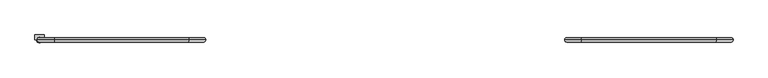
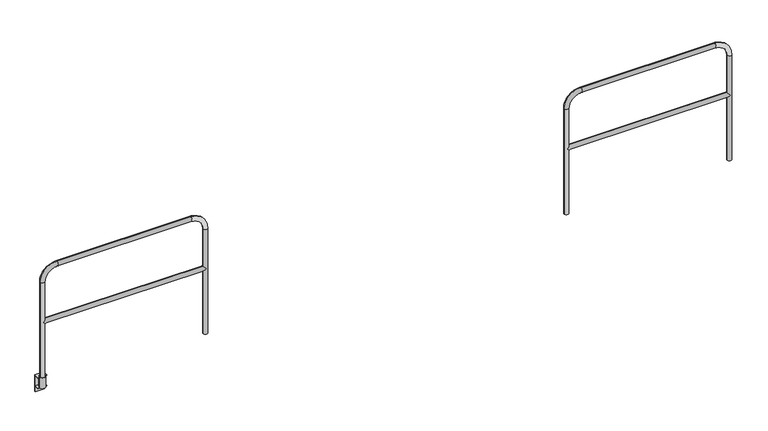
"""IFC4 building model written with IfcOpenShell, lengths in millimetres: railing geometry."""

from ifc_helpers import new_model, si_unit, point, frame, frame_2d, origin, place, context, project, spatial, polyline, circle_curve, ellipse_curve, trimmed, segment, composite_curve, outline, extrude, source, transform, mapped, element, save
from ifc_brep_helpers import plane_surface, cylinder_surface, revolved_surface, advanced_brep


def railing_adefabb8(model_context):
    return source(origin(), model_context, "Body", "SolidModel", [
        advanced_brep(
        [(46486.7496377, 15441.0551937, 554.0375), (46466.1121377, 15420.4176937, 533.4), (46486.7496377, 15441.0551937, 512.7625), (47928.1996377, 15441.0551937, 512.7625), (47948.8371377, 15420.4176937, 533.4), (47928.1996377, 15441.0551937, 554.0375), (47948.8371377, 15461.6926937, 533.4), (46466.1121377, 15461.6926937, 533.4), (46445.4746377, 15441.0551937, -95.25), (46486.7496377, 15441.0551937, -95.25), (46486.7496377, 15441.0551937, 914.4), (46445.4746377, 15441.0551937, 914.4), (46597.8746377, 15441.0551937, 1025.525), (46597.8746377, 15441.0551937, 1066.8), (47817.0746377, 15441.0551937, 1025.525), (47817.0746377, 15441.0551937, 1066.8), (47928.1996377, 15441.0551937, 914.4), (47969.4746377, 15441.0551937, 914.4), (47969.4746377, 15441.0551937, -95.25), (47928.1996377, 15441.0551937, -95.25)],
        [
            (0, 1, ellipse_curve(frame((46466.1121377, 15441.0551937, 533.4), z_axis=(0.7071067811865475, 0.0, -0.7071067811865475), x_axis=(-0.7071067811865476, 0.0, -0.7071067811865474)), 29.1858324, 20.6375)),
            (1, 2, ellipse_curve(frame((46466.1121377, 15441.0551937, 533.4), z_axis=(0.7071067811865475, 0.0, 0.7071067811865475), x_axis=(-0.7071067811865476, 0.0, 0.7071067811865474)), 29.1858324, 20.6375)),
            (2, 3),
            (3, 4, ellipse_curve(frame((47948.8371377, 15441.0551937, 533.4), z_axis=(-0.7071067811865475, 0.0, 0.7071067811865475), x_axis=(-0.7071067811865476, 0.0, -0.7071067811865474)), 29.1858324, 20.6375)),
            (4, 5, ellipse_curve(frame((47948.8371377, 15441.0551937, 533.4), z_axis=(-0.7071067811865475, 0.0, -0.7071067811865475), x_axis=(-0.7071067811865476, 0.0, 0.7071067811865474)), 29.1858324, 20.6375)),
            (5, 0),
            (5, 6, ellipse_curve(frame((47948.8371377, 15441.0551937, 533.4), z_axis=(-0.7071067811865475, 0.0, -0.7071067811865475), x_axis=(-0.7071067811865476, 0.0, 0.7071067811865474)), 29.1858324, 20.6375)),
            (6, 3, ellipse_curve(frame((47948.8371377, 15441.0551937, 533.4), z_axis=(-0.7071067811865475, 0.0, 0.7071067811865475), x_axis=(-0.7071067811865476, 0.0, -0.7071067811865474)), 29.1858324, 20.6375)),
            (2, 7, ellipse_curve(frame((46466.1121377, 15441.0551937, 533.4), z_axis=(0.7071067811865475, 0.0, 0.7071067811865475), x_axis=(-0.7071067811865476, 0.0, 0.7071067811865474)), 29.1858324, 20.6375)),
            (7, 0, ellipse_curve(frame((46466.1121377, 15441.0551937, 533.4), z_axis=(0.7071067811865475, 0.0, -0.7071067811865475), x_axis=(-0.7071067811865476, 0.0, -0.7071067811865474)), 29.1858324, 20.6375)),
            (8, 9, circle_curve(frame((46466.1121377, 15441.0551937, -95.25), z_axis=(0.0, 0.0, -1.0), x_axis=(1.0, 0.0, 0.0)), 20.6375)),
            (9, 8, circle_curve(frame((46466.1121377, 15441.0551937, -95.25), z_axis=(0.0, 0.0, -1.0), x_axis=(1.0, 0.0, 0.0)), 20.6375)),
            (9, 2),
            (0, 10),
            (10, 11, circle_curve(frame((46466.1121377, 15441.0551937, 914.4), z_axis=(0.0, 0.0, -1.0), x_axis=(1.0, 0.0, 0.0)), 20.6375)),
            (11, 8),
            (11, 10, circle_curve(frame((46466.1121377, 15441.0551937, 914.4), z_axis=(0.0, 0.0, -1.0), x_axis=(1.0, 0.0, 0.0)), 20.6375)),
            (10, 12, circle_curve(frame((46597.8746377, 15441.0551937, 914.4), z_axis=(0.0, 1.0, 0.0), x_axis=(-1.0, 0.0, 0.0)), 111.125)),
            (12, 13, circle_curve(frame((46597.8746377, 15441.0551937, 1046.1625), z_axis=(-1.0, 0.0, 0.0), x_axis=(0.0, 0.0, -1.0)), 20.6375)),
            (13, 11, circle_curve(frame((46597.8746377, 15441.0551937, 914.4), z_axis=(0.0, -1.0, 0.0), x_axis=(-1.0, 0.0, 0.0)), 152.4)),
            (13, 12, circle_curve(frame((46597.8746377, 15441.0551937, 1046.1625), z_axis=(-1.0, 0.0, 0.0), x_axis=(0.0, 0.0, -1.0)), 20.6375)),
            (12, 14),
            (14, 15, circle_curve(frame((47817.0746377, 15441.0551937, 1046.1625), z_axis=(-1.0, 0.0, 0.0), x_axis=(0.0, 0.0, -1.0)), 20.6375)),
            (15, 13),
            (15, 14, circle_curve(frame((47817.0746377, 15441.0551937, 1046.1625), z_axis=(-1.0, 0.0, 0.0), x_axis=(0.0, 0.0, -1.0)), 20.6375)),
            (14, 16, circle_curve(frame((47817.0746377, 15441.0551937, 914.4), z_axis=(0.0, 1.0, 0.0), x_axis=(0.0, 0.0, 1.0)), 111.125)),
            (16, 17, circle_curve(frame((47948.8371377, 15441.0551937, 914.4), z_axis=(0.0, 0.0, 1.0), x_axis=(-1.0, 0.0, 0.0)), 20.6375)),
            (17, 15, circle_curve(frame((47817.0746377, 15441.0551937, 914.4), z_axis=(0.0, -1.0, 0.0), x_axis=(0.0, 0.0, 1.0)), 152.4)),
            (17, 16, circle_curve(frame((47948.8371377, 15441.0551937, 914.4), z_axis=(0.0, 0.0, 1.0), x_axis=(-1.0, 0.0, 0.0)), 20.6375)),
            (18, 19, circle_curve(frame((47948.8371377, 15441.0551937, -95.25), z_axis=(0.0, 0.0, -1.0), x_axis=(-1.0, 0.0, 0.0)), 20.6375)),
            (19, 18, circle_curve(frame((47948.8371377, 15441.0551937, -95.25), z_axis=(0.0, 0.0, -1.0), x_axis=(-1.0, 0.0, 0.0)), 20.6375)),
            (16, 5),
            (3, 19),
            (18, 17),
        ],
        [
            cylinder_surface(frame((46466.1121377, 15441.0551937, 533.4), z_axis=(-1.0, 0.0, 0.0), x_axis=(0.0, 0.0, -1.0)), 20.6375),
            plane_surface(frame((46445.4746377, 15441.0551937, -95.25), z_axis=(0.0, 0.0, -1.0), x_axis=(0.0, -1.0, 0.0))),
            cylinder_surface(frame((46466.1121377, 15441.0551937, -95.25), z_axis=(0.0, 0.0, -1.0), x_axis=(1.0, 0.0, 0.0)), 20.6375),
            revolved_surface(trimmed(ellipse_curve(frame((46466.1121377, 15441.0551937, 914.4), z_axis=(0.0, 0.0, 1.0), x_axis=(1.0, 0.0, 0.0)), 20.6375, 20.6375), [point((46445.4746377, 15441.0551937, 914.4))], [point((46486.7496377, 15441.0551937, 914.4))], True, "CARTESIAN"), (46597.8746377, 15441.0551937, 914.4), (0.0, -1.0, 0.0)),
            revolved_surface(trimmed(ellipse_curve(frame((46466.1121377, 15441.0551937, 914.4), z_axis=(0.0, 0.0, 1.0), x_axis=(1.0, 0.0, 0.0)), 20.6375, 20.6375), [point((46486.7496377, 15441.0551937, 914.4))], [point((46445.4746377, 15441.0551937, 914.4))], True, "CARTESIAN"), (46597.8746377, 15441.0551937, 914.4), (0.0, -1.0, 0.0)),
            cylinder_surface(frame((46597.8746377, 15441.0551937, 1046.1625), z_axis=(-1.0, 0.0, 0.0), x_axis=(0.0, 0.0, -1.0)), 20.6375),
            revolved_surface(trimmed(ellipse_curve(frame((47817.0746377, 15441.0551937, 1046.1625), z_axis=(1.0, 0.0, 0.0), x_axis=(0.0, 0.0, -1.0)), 20.6375, 20.6375), [point((47817.0746377, 15441.0551937, 1066.8))], [point((47817.0746377, 15441.0551937, 1025.525))], True, "CARTESIAN"), (47817.0746377, 15441.0551937, 914.4), (0.0, -1.0, 0.0)),
            revolved_surface(trimmed(ellipse_curve(frame((47817.0746377, 15441.0551937, 1046.1625), z_axis=(1.0, 0.0, 0.0), x_axis=(0.0, 0.0, -1.0)), 20.6375, 20.6375), [point((47817.0746377, 15441.0551937, 1025.525))], [point((47817.0746377, 15441.0551937, 1066.8))], True, "CARTESIAN"), (47817.0746377, 15441.0551937, 914.4), (0.0, -1.0, 0.0)),
            plane_surface(frame((47969.4746377, 15441.0551937, -95.25), z_axis=(0.0, 0.0, -1.0), x_axis=(0.0, -1.0, 0.0))),
            cylinder_surface(frame((47948.8371377, 15441.0551937, 914.4), z_axis=(0.0, 0.0, 1.0), x_axis=(-1.0, 0.0, 0.0)), 20.6375),
        ],
        [
            (0, [[1, 2, 3, 4, 5, 6]]),
            (0, [[7, 8, -3, 9, 10, -6]]),
            (1, [[11, 12]]),
            (2, [[13, -2, -1, 14, 15, 16, -12]]),
            (2, [[-16, 17, -14, -10, -9, -13, -11]]),
            (3, [[18, 19, 20, -15]]),
            (4, [[-20, 21, -18, -17]]),
            (5, [[22, 23, 24, -19]]),
            (5, [[-24, 25, -22, -21]]),
            (6, [[26, 27, 28, -23]]),
            (7, [[-28, 29, -26, -25]]),
            (8, [[30, 31]]),
            (9, [[32, -5, -4, 33, -30, 34, -27]]),
            (9, [[-34, -31, -33, -8, -7, -32, -29]]),
        ],
    ),
        advanced_brep(
        [(41653.3536744, 15479.1551937, 0.0), (41653.3536744, 15441.0551937, 0.0), (41653.3536744, 15441.0551937, 6.35), (41653.3536744, 15485.5051937, 6.35), (41653.3536744, 15485.5051937, -152.4), (41653.3536744, 15479.1551937, -152.4), (41653.3536744, 15479.1551937, -101.6), (41653.3536744, 15441.0551937, -101.6), (41653.3536744, 15441.0551937, -95.25), (41653.3536744, 15479.1551937, -95.25), (41736.090601, 15479.1551937, 0.0), (41736.090601, 15479.1551937, -95.25), (41736.090601, 15441.0551937, -95.25), (41736.090601, 15441.0551937, -101.6), (41736.090601, 15479.1551937, -101.6), (41736.090601, 15479.1551937, -152.4), (41736.090601, 15485.5051937, -152.4), (41736.090601, 15485.5051937, 6.35), (41736.090601, 15441.0551937, 6.35), (41736.090601, 15441.0551937, 0.0), (41667.7346377, 15441.0551937, 0.0), (41667.7346377, 15441.0551937, 6.35), (41721.7096377, 15441.0551937, 6.35), (41721.7096377, 15441.0551937, 0.0), (41667.7346377, 15441.0551937, -95.25), (41721.7096377, 15441.0551937, -95.25)],
        [
            (0, 1),
            (1, 2),
            (2, 3),
            (3, 4),
            (4, 5),
            (5, 6),
            (6, 7),
            (7, 8),
            (8, 9),
            (9, 0),
            (10, 11),
            (11, 12),
            (12, 13),
            (13, 14),
            (14, 15),
            (15, 16),
            (16, 17),
            (17, 18),
            (18, 19),
            (19, 10),
            (1, 20),
            (20, 21),
            (21, 2),
            (18, 22),
            (22, 23),
            (23, 19),
            (21, 22, circle_curve(frame((41694.7221377, 15441.0551937, 6.35), z_axis=(0.0, 0.0, -1.0), x_axis=(-1.0000000000000002, 0.0, 0.0)), 26.9875)),
            (17, 3),
            (0, 10),
            (23, 20, circle_curve(frame((41694.7221377, 15441.0551937, 0.0), z_axis=(0.0, 0.0, 1.0), x_axis=(-1.0000000000000002, 0.0, 0.0)), 26.9875)),
            (16, 4),
            (8, 24),
            (24, 25),
            (25, 12),
            (11, 9),
            (7, 13),
            (6, 14),
            (5, 15),
        ],
        [
            plane_surface(frame((41653.3536744, 15485.5051937, 0.0), z_axis=(-1.0, 0.0, 0.0), x_axis=(0.0, 0.0, 1.0))),
            plane_surface(frame((41736.090601, 15485.5051937, 0.0), z_axis=(1.0, 0.0, 0.0), x_axis=(0.0, 0.0, 1.0))),
            plane_surface(frame((41653.3536744, 15441.0551937, 6.35), z_axis=(0.0, -1.0, 0.0), x_axis=(1.0, 0.0, 0.0))),
            plane_surface(frame((41653.3536744, 15485.5051937, 6.35), z_axis=(0.0, 0.0, 1.0), x_axis=(1.0, 0.0, 0.0))),
            plane_surface(frame((41653.3536744, 15441.0551937, 0.0), z_axis=(0.0, 0.0, -1.0), x_axis=(1.0, 0.0, 0.0))),
            plane_surface(frame((41653.3536744, 15485.5051937, -152.4), z_axis=(0.0, 1.0, 0.0), x_axis=(1.0, 0.0, 0.0))),
            plane_surface(frame((41653.3536744, 15479.1551937, -95.25), z_axis=(0.0, 0.0, 1.0), x_axis=(1.0, 0.0, 0.0))),
            plane_surface(frame((41653.3536744, 15441.0551937, -95.25), z_axis=(0.0, -1.0, 0.0), x_axis=(1.0, 0.0, 0.0))),
            plane_surface(frame((41653.3536744, 15441.0551937, -101.6), z_axis=(0.0, 0.0, -1.0), x_axis=(1.0, 0.0, 0.0))),
            revolved_surface(polyline([(41667.7346377, 15441.0551937, 6.349999999999994), (41667.7346377, 15441.0551937, 0.0)]), (41694.7221377, 15441.0551937, -95.25), (0.0, 0.0, 1.0)),
            plane_surface(frame((41653.3536744, 15479.1551937, -101.6), z_axis=(0.0, -1.0, 0.0), x_axis=(1.0, 0.0, 0.0))),
            plane_surface(frame((41653.3536744, 15479.1551937, -152.4), z_axis=(0.0, 0.0, -1.0), x_axis=(1.0, 0.0, 0.0))),
            plane_surface(frame((41653.3536744, 15479.1551937, 0.0), z_axis=(0.0, -1.0, 0.0), x_axis=(1.0, 0.0, 0.0))),
        ],
        [
            (0, [[1, 2, 3, 4, 5, 6, 7, 8, 9, 10]]),
            (1, [[11, 12, 13, 14, 15, 16, 17, 18, 19, 20]]),
            (2, [[21, 22, 23, -2]]),
            (2, [[24, 25, 26, -19]]),
            (3, [[-23, 27, -24, -18, 28, -3]]),
            (4, [[29, -20, -26, 30, -21, -1]]),
            (5, [[-28, -17, 31, -4]]),
            (6, [[32, 33, 34, -12, 35, -9]]),
            (7, [[36, -13, -34, -33, -32, -8]]),
            (8, [[37, -14, -36, -7]]),
            (9, [[-27, -22, -30, -25]]),
            (10, [[38, -15, -37, -6]]),
            (11, [[-31, -16, -38, -5]]),
            (12, [[-35, -11, -29, -10]]),
        ],
    ),
        extrude(outline(composite_curve([segment(trimmed(circle_curve(frame_2d((41694.7221377, 15441.0551937)), 26.9875), [point((41721.7096377, 15441.0551937))], [point((41667.7346377, 15441.0551937))], False, "CARTESIAN"), True, "CONTINUOUS"), segment(trimmed(circle_curve(frame_2d((41694.7221377, 15441.0551937)), 26.9875), [point((41667.7346377, 15441.0551937))], [point((41721.7096377, 15441.0551937))], False, "CARTESIAN"), True, "CONTINUOUS")], self_intersect=False), holes=[composite_curve([segment(trimmed(circle_curve(frame_2d((41694.7221377, 15441.0551937)), 20.6375), [point((41715.3596377, 15441.0551937))], [point((41674.0846377, 15441.0551937))], True, "CARTESIAN"), True, "CONTINUOUS"), segment(trimmed(circle_curve(frame_2d((41694.7221377, 15441.0551937)), 20.6375), [point((41674.0846377, 15441.0551937))], [point((41715.3596377, 15441.0551937))], True, "CARTESIAN"), True, "CONTINUOUS")], self_intersect=False)]), frame((0.0, 0.0, -95.25), z_axis=(0.0, 0.0, 1.0), x_axis=(1.0, 0.0, 0.0)), (0.0, 0.0, 1.0), 101.6),
        advanced_brep(
        [(41715.3596377, 15441.0551937, 554.0375), (41694.7221377, 15420.4176937, 533.4), (41715.3596377, 15441.0551937, 512.7625), (43156.8096377, 15441.0551937, 512.7625), (43177.4471377, 15420.4176937, 533.4), (43156.8096377, 15441.0551937, 554.0375), (43177.4471377, 15461.6926937, 533.4), (41694.7221377, 15461.6926937, 533.4), (41674.0846377, 15441.0551937, -95.25), (41715.3596377, 15441.0551937, -95.25), (41715.3596377, 15441.0551937, 914.4), (41674.0846377, 15441.0551937, 914.4), (41826.4846377, 15441.0551937, 1025.525), (41826.4846377, 15441.0551937, 1066.8), (43045.6846377, 15441.0551937, 1025.525), (43045.6846377, 15441.0551937, 1066.8), (43156.8096377, 15441.0551937, 914.4), (43198.0846377, 15441.0551937, 914.4), (43198.0846377, 15441.0551937, -95.25), (43156.8096377, 15441.0551937, -95.25)],
        [
            (0, 1, ellipse_curve(frame((41694.7221377, 15441.0551937, 533.4), z_axis=(0.7071067811865475, 0.0, -0.7071067811865475), x_axis=(-0.7071067811865476, 0.0, -0.7071067811865474)), 29.1858324, 20.6375)),
            (1, 2, ellipse_curve(frame((41694.7221377, 15441.0551937, 533.4), z_axis=(0.7071067811865475, 0.0, 0.7071067811865475), x_axis=(-0.7071067811865476, 0.0, 0.7071067811865474)), 29.1858324, 20.6375)),
            (2, 3),
            (3, 4, ellipse_curve(frame((43177.4471377, 15441.0551937, 533.4), z_axis=(-0.7071067811865475, 0.0, 0.7071067811865475), x_axis=(-0.7071067811865476, 0.0, -0.7071067811865474)), 29.1858324, 20.6375)),
            (4, 5, ellipse_curve(frame((43177.4471377, 15441.0551937, 533.4), z_axis=(-0.7071067811865475, 0.0, -0.7071067811865475), x_axis=(-0.7071067811865476, 0.0, 0.7071067811865474)), 29.1858324, 20.6375)),
            (5, 0),
            (5, 6, ellipse_curve(frame((43177.4471377, 15441.0551937, 533.4), z_axis=(-0.7071067811865475, 0.0, -0.7071067811865475), x_axis=(-0.7071067811865476, 0.0, 0.7071067811865474)), 29.1858324, 20.6375)),
            (6, 3, ellipse_curve(frame((43177.4471377, 15441.0551937, 533.4), z_axis=(-0.7071067811865475, 0.0, 0.7071067811865475), x_axis=(-0.7071067811865476, 0.0, -0.7071067811865474)), 29.1858324, 20.6375)),
            (2, 7, ellipse_curve(frame((41694.7221377, 15441.0551937, 533.4), z_axis=(0.7071067811865475, 0.0, 0.7071067811865475), x_axis=(-0.7071067811865476, 0.0, 0.7071067811865474)), 29.1858324, 20.6375)),
            (7, 0, ellipse_curve(frame((41694.7221377, 15441.0551937, 533.4), z_axis=(0.7071067811865475, 0.0, -0.7071067811865475), x_axis=(-0.7071067811865476, 0.0, -0.7071067811865474)), 29.1858324, 20.6375)),
            (8, 9, circle_curve(frame((41694.7221377, 15441.0551937, -95.25), z_axis=(0.0, 0.0, -1.0), x_axis=(1.0, 0.0, 0.0)), 20.6375)),
            (9, 8, circle_curve(frame((41694.7221377, 15441.0551937, -95.25), z_axis=(0.0, 0.0, -1.0), x_axis=(1.0, 0.0, 0.0)), 20.6375)),
            (9, 2),
            (0, 10),
            (10, 11, circle_curve(frame((41694.7221377, 15441.0551937, 914.4), z_axis=(0.0, 0.0, -1.0), x_axis=(1.0, 0.0, 0.0)), 20.6375)),
            (11, 8),
            (11, 10, circle_curve(frame((41694.7221377, 15441.0551937, 914.4), z_axis=(0.0, 0.0, -1.0), x_axis=(1.0, 0.0, 0.0)), 20.6375)),
            (10, 12, circle_curve(frame((41826.4846377, 15441.0551937, 914.4), z_axis=(0.0, 1.0, 0.0), x_axis=(-1.0, 0.0, 0.0)), 111.125)),
            (12, 13, circle_curve(frame((41826.4846377, 15441.0551937, 1046.1625), z_axis=(-1.0, 0.0, 0.0), x_axis=(0.0, 0.0, -1.0)), 20.6375)),
            (13, 11, circle_curve(frame((41826.4846377, 15441.0551937, 914.4), z_axis=(0.0, -1.0, 0.0), x_axis=(-1.0, 0.0, 0.0)), 152.4)),
            (13, 12, circle_curve(frame((41826.4846377, 15441.0551937, 1046.1625), z_axis=(-1.0, 0.0, 0.0), x_axis=(0.0, 0.0, -1.0)), 20.6375)),
            (12, 14),
            (14, 15, circle_curve(frame((43045.6846377, 15441.0551937, 1046.1625), z_axis=(-1.0, 0.0, 0.0), x_axis=(0.0, 0.0, -1.0)), 20.6375)),
            (15, 13),
            (15, 14, circle_curve(frame((43045.6846377, 15441.0551937, 1046.1625), z_axis=(-1.0, 0.0, 0.0), x_axis=(0.0, 0.0, -1.0)), 20.6375)),
            (14, 16, circle_curve(frame((43045.6846377, 15441.0551937, 914.4), z_axis=(0.0, 1.0, 0.0), x_axis=(0.0, 0.0, 1.0)), 111.125)),
            (16, 17, circle_curve(frame((43177.4471377, 15441.0551937, 914.4), z_axis=(0.0, 0.0, 1.0), x_axis=(-1.0, 0.0, 0.0)), 20.6375)),
            (17, 15, circle_curve(frame((43045.6846377, 15441.0551937, 914.4), z_axis=(0.0, -1.0, 0.0), x_axis=(0.0, 0.0, 1.0)), 152.4)),
            (17, 16, circle_curve(frame((43177.4471377, 15441.0551937, 914.4), z_axis=(0.0, 0.0, 1.0), x_axis=(-1.0, 0.0, 0.0)), 20.6375)),
            (18, 19, circle_curve(frame((43177.4471377, 15441.0551937, -95.25), z_axis=(0.0, 0.0, -1.0), x_axis=(-1.0, 0.0, 0.0)), 20.6375)),
            (19, 18, circle_curve(frame((43177.4471377, 15441.0551937, -95.25), z_axis=(0.0, 0.0, -1.0), x_axis=(-1.0, 0.0, 0.0)), 20.6375)),
            (16, 5),
            (3, 19),
            (18, 17),
        ],
        [
            cylinder_surface(frame((41694.7221377, 15441.0551937, 533.4), z_axis=(-1.0, 0.0, 0.0), x_axis=(0.0, 0.0, -1.0)), 20.6375),
            plane_surface(frame((41674.0846377, 15441.0551937, -95.25), z_axis=(0.0, 0.0, -1.0), x_axis=(0.0, -1.0, 0.0))),
            cylinder_surface(frame((41694.7221377, 15441.0551937, -95.25), z_axis=(0.0, 0.0, -1.0), x_axis=(1.0, 0.0, 0.0)), 20.6375),
            revolved_surface(trimmed(ellipse_curve(frame((41694.7221377, 15441.0551937, 914.4), z_axis=(0.0, 0.0, 1.0), x_axis=(1.0, 0.0, 0.0)), 20.6375, 20.6375), [point((41674.0846377, 15441.0551937, 914.4))], [point((41715.3596377, 15441.0551937, 914.4))], True, "CARTESIAN"), (41826.4846377, 15441.0551937, 914.4), (0.0, -1.0, 0.0)),
            revolved_surface(trimmed(ellipse_curve(frame((41694.7221377, 15441.0551937, 914.4), z_axis=(0.0, 0.0, 1.0), x_axis=(1.0, 0.0, 0.0)), 20.6375, 20.6375), [point((41715.3596377, 15441.0551937, 914.4))], [point((41674.0846377, 15441.0551937, 914.4))], True, "CARTESIAN"), (41826.4846377, 15441.0551937, 914.4), (0.0, -1.0, 0.0)),
            cylinder_surface(frame((41826.4846377, 15441.0551937, 1046.1625), z_axis=(-1.0, 0.0, 0.0), x_axis=(0.0, 0.0, -1.0)), 20.6375),
            revolved_surface(trimmed(ellipse_curve(frame((43045.6846377, 15441.0551937, 1046.1625), z_axis=(1.0, 0.0, 0.0), x_axis=(0.0, 0.0, -1.0)), 20.6375, 20.6375), [point((43045.6846377, 15441.0551937, 1066.8))], [point((43045.6846377, 15441.0551937, 1025.525))], True, "CARTESIAN"), (43045.6846377, 15441.0551937, 914.4), (0.0, -1.0, 0.0)),
            revolved_surface(trimmed(ellipse_curve(frame((43045.6846377, 15441.0551937, 1046.1625), z_axis=(1.0, 0.0, 0.0), x_axis=(0.0, 0.0, -1.0)), 20.6375, 20.6375), [point((43045.6846377, 15441.0551937, 1025.525))], [point((43045.6846377, 15441.0551937, 1066.8))], True, "CARTESIAN"), (43045.6846377, 15441.0551937, 914.4), (0.0, -1.0, 0.0)),
            plane_surface(frame((43198.0846377, 15441.0551937, -95.25), z_axis=(0.0, 0.0, -1.0), x_axis=(0.0, -1.0, 0.0))),
            cylinder_surface(frame((43177.4471377, 15441.0551937, 914.4), z_axis=(0.0, 0.0, 1.0), x_axis=(-1.0, 0.0, 0.0)), 20.6375),
        ],
        [
            (0, [[1, 2, 3, 4, 5, 6]]),
            (0, [[7, 8, -3, 9, 10, -6]]),
            (1, [[11, 12]]),
            (2, [[13, -2, -1, 14, 15, 16, -12]]),
            (2, [[-16, 17, -14, -10, -9, -13, -11]]),
            (3, [[18, 19, 20, -15]]),
            (4, [[-20, 21, -18, -17]]),
            (5, [[22, 23, 24, -19]]),
            (5, [[-24, 25, -22, -21]]),
            (6, [[26, 27, 28, -23]]),
            (7, [[-28, 29, -26, -25]]),
            (8, [[30, 31]]),
            (9, [[32, -5, -4, 33, -30, 34, -27]]),
            (9, [[-34, -31, -33, -8, -7, -32, -29]]),
        ],
    ),
    ])


if __name__ == "__main__":
    model = new_model("IFC4")
    model_context = context("Model", 3, world=origin())
    ifc_project = project(units=[si_unit("LENGTHUNIT", "METRE", prefix="MILLI")], contexts=[model_context])
    site = spatial("IfcSite", under=ifc_project)
    building = spatial("IfcBuilding", under=site)
    placement = place(None, origin())
    railing_shape = railing_adefabb8(model_context)
    element("IfcRailing", 1, at=placement, inside=building, context=model_context, shape_type="MappedRepresentation", body=[
        mapped(railing_shape, transform((0.0, 0.0, 0.0), x_axis=(1.0, 0.0, 0.0), y_axis=(0.0, 1.0, 0.0), z_axis=(0.0, 0.0, 1.0))),
    ])
    save(model, "model.ifc")
